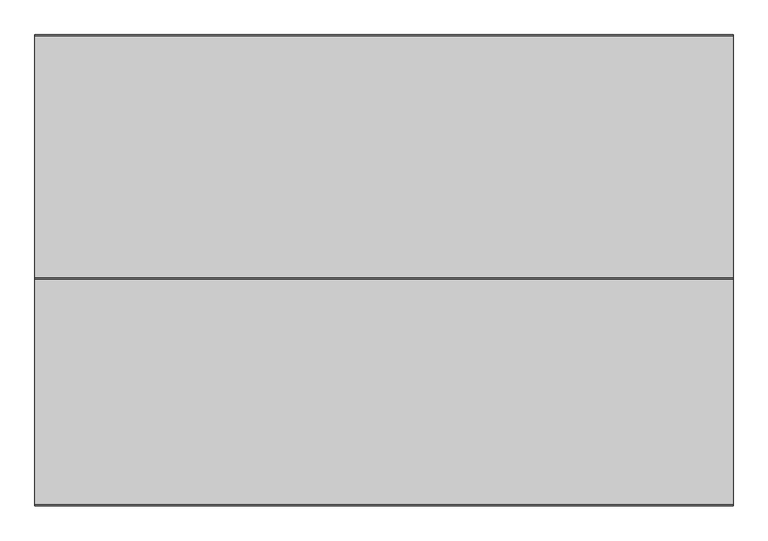
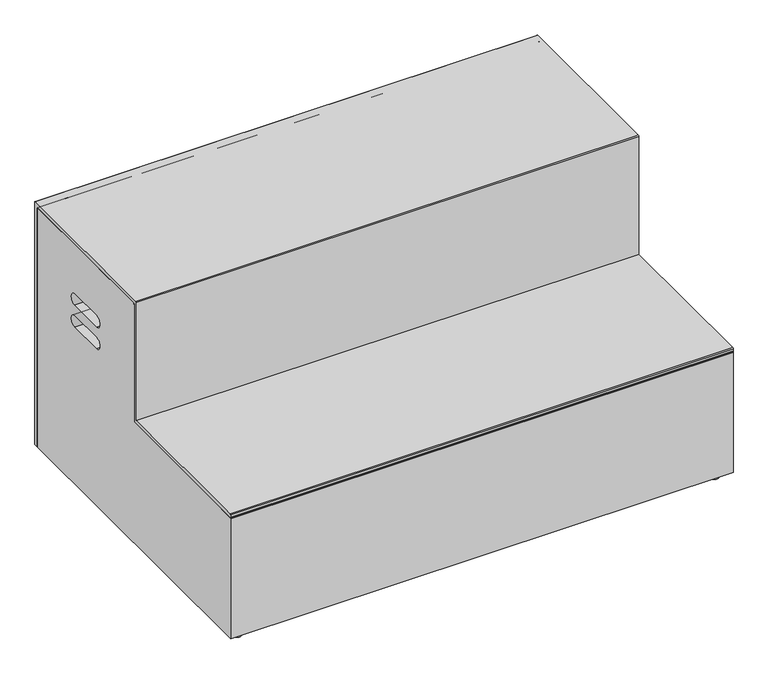
"""IFC4 building model written with IfcOpenShell, lengths in millimetres: furniture geometry."""

import ifcopenshell
import ifcopenshell.guid

model = None  # the IFC model being written
_history = None  # IfcOwnerHistory: only IFC2X3 demands one
_inside = {}  # id of a spatial element -> (the spatial element, [elements in it])
_under = {}  # id of a project, library or spatial element -> (it, [spatial elements below it])
_declared = {}  # id of a project -> (the project, [libraries it declares])
_typed = {}  # id of a type object -> (the type object, [elements of that type])
_made_of = {}  # id of a material, layer set ... -> (it, [elements and type objects made of it])


def new_model(schema):
    """Start an empty IFC model of exactly this schema.

    Asked for "IFC4X3", IfcOpenShell would pick the latest addendum, in which some entities
    have other attributes; the version numbers below select the first issue.
    IFC2X3 requires an IfcOwnerHistory on every rooted entity: one is made here for all.
    """
    global model, _history
    if schema == "IFC4X3":
        model = ifcopenshell.file(schema_version=(4, 3, 0, 0))
    else:
        model = ifcopenshell.file(schema=schema)
    _inside.clear()
    _under.clear()
    _declared.clear()
    _typed.clear()
    _made_of.clear()
    _history = None
    if model.schema == "IFC2X3":
        org = make("IfcOrganization", Name="unknown")
        user = make(
            "IfcPersonAndOrganization",
            ThePerson=make("IfcPerson", FamilyName="unknown"),
            TheOrganization=org,
        )
        app = make(
            "IfcApplication",
            ApplicationDeveloper=org,
            Version="unknown",
            ApplicationFullName="unknown",
            ApplicationIdentifier="unknown",
        )
        _history = make(
            "IfcOwnerHistory",
            OwningUser=user,
            OwningApplication=app,
            ChangeAction="ADDED",
            CreationDate=0,
        )
    return model


def make(cls, **values):
    """One entity of the class cls with the attributes given. An attribute that is None is left unset."""
    return model.create_entity(
        cls, **{name: value for name, value in values.items() if value is not None}
    )


def rooted(cls, **values):
    """An entity with a GlobalId (a new one), such as an element, a storey or a relation."""
    return make(cls, GlobalId=ifcopenshell.guid.new(), OwnerHistory=_history, **values)


def si_unit(unit_type, name, prefix=None):
    """IfcSIUnit, for example si_unit("LENGTHUNIT", "METRE", prefix="MILLI")."""
    return make("IfcSIUnit", UnitType=unit_type, Prefix=prefix, Name=name)


def assignment(units):
    """IfcUnitAssignment: the units of a project."""
    return None if units is None else make("IfcUnitAssignment", Units=units)


def point(xyz):
    """IfcCartesianPoint."""
    return None if xyz is None else make("IfcCartesianPoint", Coordinates=xyz)


def direction(xyz):
    """IfcDirection."""
    return None if xyz is None else make("IfcDirection", DirectionRatios=xyz)


def frame(location, z_axis=None, x_axis=None):
    """IfcAxis2Placement3D, a coordinate frame: its origin and axes. An axis left out is left unset."""
    return make(
        "IfcAxis2Placement3D",
        Location=point(location),
        Axis=direction(z_axis),
        RefDirection=direction(x_axis),
    )


def frame_2d(location, x_axis=None):
    """IfcAxis2Placement2D, a coordinate frame in the plane: its origin and x axis."""
    return make(
        "IfcAxis2Placement2D", Location=point(location), RefDirection=direction(x_axis)
    )


def origin():
    """The frame at (0, 0, 0) with its axes left unset."""
    return frame((0.0, 0.0, 0.0))


def origin_with_axes():
    """The frame at (0, 0, 0) with the z axis (0, 0, 1) and the x axis (1, 0, 0) written out."""
    return frame((0.0, 0.0, 0.0), z_axis=(0.0, 0.0, 1.0), x_axis=(1.0, 0.0, 0.0))


def place(relative_to, where):
    """IfcLocalPlacement: puts the frame where relative to a parent placement (None: the world)."""
    return make(
        "IfcLocalPlacement", PlacementRelTo=relative_to, RelativePlacement=where
    )


def context(
    kind, dimensions, precision=None, world=None, true_north=None, identifier=None
):
    """IfcGeometricRepresentationContext, for example the 3D "Model" context."""
    return make(
        "IfcGeometricRepresentationContext",
        ContextIdentifier=identifier,
        ContextType=kind,
        CoordinateSpaceDimension=dimensions,
        Precision=precision,
        WorldCoordinateSystem=world,
        TrueNorth=true_north,
    )


def project(units=None, contexts=None):
    """IfcProject with its units and contexts."""
    return rooted(
        "IfcProject",
        Name="project",
        RepresentationContexts=contexts,
        UnitsInContext=assignment(units),
    )


def spatial(cls, under=None, at=None, **own):
    """A site, building, storey or space (cls), placed at a placement, below another one or the project."""
    s = rooted(cls, ObjectPlacement=at, **own)
    if under is not None:
        _under.setdefault(under.id(), (under, []))[1].append(s)
    return s


def polyline(points):
    """IfcPolyline through the points."""
    return make("IfcPolyline", Points=[point(p) for p in points])


def circle_curve(where, radius):
    """IfcCircle in the frame where."""
    return make("IfcCircle", Position=where, Radius=radius)


def trimmed(basis, trim1, trim2, sense, master):
    """IfcTrimmedCurve: the piece of a basis curve between two trims."""
    return make(
        "IfcTrimmedCurve",
        BasisCurve=basis,
        Trim1=trim1,
        Trim2=trim2,
        SenseAgreement=sense,
        MasterRepresentation=master,
    )


def segment(curve, same_sense, transition):
    """IfcCompositeCurveSegment."""
    return make(
        "IfcCompositeCurveSegment",
        Transition=transition,
        SameSense=same_sense,
        ParentCurve=curve,
    )


def composite_curve(segments, self_intersect=None):
    """IfcCompositeCurve: segments joined end to end."""
    return make("IfcCompositeCurve", Segments=segments, SelfIntersect=self_intersect)


def outline(outer, holes=None, kind="AREA"):
    """IfcArbitraryClosedProfileDef: a profile drawn as a closed curve; with holes, ...WithVoids."""
    if holes is None:
        return make("IfcArbitraryClosedProfileDef", ProfileType=kind, OuterCurve=outer)
    return make(
        "IfcArbitraryProfileDefWithVoids",
        ProfileType=kind,
        OuterCurve=outer,
        InnerCurves=holes,
    )


def extrude(swept, where, along, depth):
    """IfcExtrudedAreaSolid: the profile swept, set in the frame where, extruded along a direction by depth."""
    return make(
        "IfcExtrudedAreaSolid",
        SweptArea=swept,
        Position=where,
        ExtrudedDirection=direction(along),
        Depth=depth,
    )


def shape(context_of_items, identifier, shape_type, items):
    """IfcShapeRepresentation: the items that make up one representation, for example the "Body"."""
    return make(
        "IfcShapeRepresentation",
        ContextOfItems=context_of_items,
        RepresentationIdentifier=identifier,
        RepresentationType=shape_type,
        Items=items,
    )


def source(mapping_origin, context_of_items, identifier, shape_type, items):
    """IfcRepresentationMap: a shape defined once, which mapped items show again and again."""
    return make(
        "IfcRepresentationMap",
        MappingOrigin=mapping_origin,
        MappedRepresentation=shape(context_of_items, identifier, shape_type, items),
    )


def transform(
    local_origin,
    x_axis=None,
    y_axis=None,
    z_axis=None,
    scale=None,
    scale2=None,
    scale3=None,
    uniform=True,
):
    """IfcCartesianTransformationOperator3D, or its non-uniform kind. x_axis, y_axis, z_axis: its Axis1, 2, 3."""
    if uniform:
        return make(
            "IfcCartesianTransformationOperator3D",
            Axis1=direction(x_axis),
            Axis2=direction(y_axis),
            LocalOrigin=point(local_origin),
            Scale=scale,
            Axis3=direction(z_axis),
        )
    return make(
        "IfcCartesianTransformationOperator3DnonUniform",
        Axis1=direction(x_axis),
        Axis2=direction(y_axis),
        LocalOrigin=point(local_origin),
        Scale=scale,
        Axis3=direction(z_axis),
        Scale2=scale2,
        Scale3=scale3,
    )


def mapped(mapping_source, mapping_target):
    """IfcMappedItem: shows the shape of a source again, moved by a transform."""
    return make(
        "IfcMappedItem", MappingSource=mapping_source, MappingTarget=mapping_target
    )


def made_of(thing, what):
    """Note that an element or type object is made of a material, layer set ...; save() writes the relation."""
    if what is not None:
        _made_of.setdefault(what.id(), (what, []))[1].append(thing)
    return thing


def element(
    cls,
    number,
    at=None,
    inside=None,
    cuts=None,
    type_object=None,
    material=None,
    context=None,
    identifier="Body",
    shape_type=None,
    held_by="IfcProductDefinitionShape",
    body=None,
    shapes=None,
    **own,
):
    """One element of the class cls, such as IfcWall. Its Tag is "e" and its number.

    at: its placement. inside: the storey or other place that contains it. cuts: it is an
    opening in that element (IfcRelVoidsElement). A single representation is given by context,
    identifier, shape_type and body (its items); several are given by shapes. held_by: the class
    of the entity that holds the representations. save() writes the other relations.
    """
    e = rooted(cls, Tag="e%d" % number, ObjectPlacement=at, **own)
    if body is not None:
        shapes = [shape(context, identifier, shape_type, body)]
    if shapes is not None:
        e.Representation = make(held_by, Representations=shapes)
    if inside is not None:
        _inside.setdefault(inside.id(), (inside, []))[1].append(e)
    if cuts is not None:
        rooted(
            "IfcRelVoidsElement", RelatingBuildingElement=cuts, RelatedOpeningElement=e
        )
    if type_object is not None:
        _typed.setdefault(type_object.id(), (type_object, []))[1].append(e)
    return made_of(e, material)


def aggregate(whole, parts):
    """IfcRelAggregates: a whole, such as a stair, and the parts it consists of."""
    return rooted("IfcRelAggregates", RelatingObject=whole, RelatedObjects=parts)


def save(model, path):
    """Write the relations noted so far, then the file.

    IfcRelAggregates (storeys below a building ...), IfcRelContainedInSpatialStructure (elements
    in a storey), IfcRelDefinesByType, IfcRelAssociatesMaterial and IfcRelDeclares: one each for
    every whole, place, type object, material and project.
    """
    for whole, parts in _under.values():
        aggregate(whole, parts)
    for where, things in _inside.values():
        rooted(
            "IfcRelContainedInSpatialStructure",
            RelatedElements=things,
            RelatingStructure=where,
        )
    for kind, things in _typed.values():
        rooted("IfcRelDefinesByType", RelatedObjects=things, RelatingType=kind)
    for what, things in _made_of.values():
        rooted("IfcRelAssociatesMaterial", RelatedObjects=things, RelatingMaterial=what)
    for by, libraries in _declared.values():
        rooted("IfcRelDeclares", RelatingContext=by, RelatedDefinitions=libraries)
    model.write(path)


def furniture_219e41aa(model_context):
    return source(origin(), model_context, "Body", "SweptSolid", [
        extrude(outline(composite_curve([segment(trimmed(circle_curve(frame_2d((38.1, -44.45)), 4.572), [point((33.528, -44.45))], [point((42.672, -44.45))], False, "CARTESIAN"), True, "CONTINUOUS"), segment(trimmed(circle_curve(frame_2d((38.1, -44.45)), 4.572), [point((42.672, -44.45))], [point((33.528, -44.45))], False, "CARTESIAN"), True, "CONTINUOUS")], self_intersect=False)), frame((0.0, 0.0, 8.2448399), z_axis=(0.0, 0.0, 1.0), x_axis=(1.0, 0.0, 0.0)), (0.0, 0.0, 1.0), 10.8051601),
        extrude(outline(composite_curve([segment(trimmed(circle_curve(frame_2d((38.1, -996.95)), 4.6506975), [point((33.4493025, -996.95))], [point((42.7506975, -996.95))], False, "CARTESIAN"), True, "CONTINUOUS"), segment(trimmed(circle_curve(frame_2d((38.1, -996.95)), 4.6506975), [point((42.7506975, -996.95))], [point((33.4493025, -996.95))], False, "CARTESIAN"), True, "CONTINUOUS")], self_intersect=False)), frame((0.0, 0.0, 8.2448399), z_axis=(0.0, 0.0, 1.0), x_axis=(1.0, 0.0, 0.0)), (0.0, 0.0, 1.0), 10.8051601),
        extrude(outline(composite_curve([segment(trimmed(circle_curve(frame_2d((1485.9, -44.45)), 4.572), [point((1481.328, -44.45))], [point((1490.472, -44.45))], False, "CARTESIAN"), True, "CONTINUOUS"), segment(trimmed(circle_curve(frame_2d((1485.9, -44.45)), 4.572), [point((1490.472, -44.45))], [point((1481.328, -44.45))], False, "CARTESIAN"), True, "CONTINUOUS")], self_intersect=False)), frame((0.0, 0.0, 8.2448399), z_axis=(0.0, 0.0, 1.0), x_axis=(1.0, 0.0, 0.0)), (0.0, 0.0, 1.0), 10.8051601),
        extrude(outline(composite_curve([segment(trimmed(circle_curve(frame_2d((1485.9, -996.95)), 4.572), [point((1481.328, -996.95))], [point((1490.472, -996.95))], False, "CARTESIAN"), True, "CONTINUOUS"), segment(trimmed(circle_curve(frame_2d((1485.9, -996.95)), 4.572), [point((1490.472, -996.95))], [point((1481.328, -996.95))], False, "CARTESIAN"), True, "CONTINUOUS")], self_intersect=False)), frame((0.0, 0.0, 8.2448399), z_axis=(0.0, 0.0, 1.0), x_axis=(1.0, 0.0, 0.0)), (0.0, 0.0, 1.0), 10.8051601),
        extrude(outline(composite_curve([segment(polyline([(-12.7003399, 19.05), (-1028.7, 19.05), (-1028.7, 403.8600121)]), True, "CONTINUOUS"), segment(trimmed(circle_curve(frame_2d((-1026.16, 403.8600121)), 2.54), [point((-1028.7, 403.8600121))], [point((-1026.16, 406.4000121))], False, "CARTESIAN"), True, "CONTINUOUS"), segment(polyline([(-1026.16, 406.4000121), (-520.7003391, 406.4000121), (-520.7003391, 784.8757059)]), True, "CONTINUOUS"), segment(trimmed(circle_curve(frame_2d((-518.1760692, 784.8757059)), 2.5242699), [point((-520.7003391, 784.8757059))], [point((-518.1760692, 787.3999758))], False, "CARTESIAN"), True, "CONTINUOUS"), segment(polyline([(-518.1760692, 787.3999758), (-15.2403399, 787.3999758)]), True, "CONTINUOUS"), segment(trimmed(circle_curve(frame_2d((-15.2403399, 784.8599758)), 2.54), [point((-15.2403399, 787.3999758))], [point((-12.7003399, 784.8599758))], False, "CARTESIAN"), True, "CONTINUOUS"), segment(polyline([(-12.7003399, 784.8599758), (-12.7003399, 19.05)]), True, "CONTINUOUS")], self_intersect=False), holes=[composite_curve([segment(trimmed(circle_curve(frame_2d((-209.4835331, 541.0545655)), 17.746464), [point((-209.4835331, 523.3081015))], [point((-209.4835331, 558.8010295))], True, "CARTESIAN"), True, "CONTINUOUS"), segment(polyline([(-209.4835331, 558.8010295), (-323.9164669, 558.8010295)]), True, "CONTINUOUS"), segment(trimmed(circle_curve(frame_2d((-323.9164669, 541.0545655)), 17.746464), [point((-323.9164669, 558.8010295))], [point((-323.9164669, 523.3081015))], True, "CARTESIAN"), True, "CONTINUOUS"), segment(polyline([(-323.9164669, 523.3081015), (-209.4835331, 523.3081015)]), True, "CONTINUOUS")], self_intersect=False), composite_curve([segment(polyline([(-323.9164669, 593.0438015), (-209.4835331, 593.0438015)]), True, "CONTINUOUS"), segment(trimmed(circle_curve(frame_2d((-209.4835331, 610.8474094)), 17.803608), [point((-209.4835331, 593.0438015))], [point((-209.4835331, 628.6510174))], True, "CARTESIAN"), True, "CONTINUOUS"), segment(polyline([(-209.4835331, 628.6510174), (-323.9164669, 628.6510174)]), True, "CONTINUOUS"), segment(trimmed(circle_curve(frame_2d((-323.9164669, 610.8474094)), 17.803608), [point((-323.9164669, 628.6510174))], [point((-323.9164669, 593.0438015))], True, "CARTESIAN"), True, "CONTINUOUS")], self_intersect=False)]), frame((0.0, 0.0, 0.0), z_axis=(1.0, 0.0, 0.0), x_axis=(0.0, 1.0, 0.0)), (0.0, 0.0, 1.0), 1524.0),
        extrude(outline(composite_curve([segment(polyline([(0.0, 19.05), (-12.7003399, 19.05), (-12.7003399, 784.8599758)]), True, "CONTINUOUS"), segment(trimmed(circle_curve(frame_2d((-15.2403399, 784.8599758)), 2.54), [point((-12.7003399, 784.8599758))], [point((-15.2403399, 787.3999758))], True, "CARTESIAN"), True, "CONTINUOUS"), segment(polyline([(-15.2403399, 787.3999758), (-518.1760692, 787.3999758)]), True, "CONTINUOUS"), segment(trimmed(circle_curve(frame_2d((-518.1760692, 784.8757059)), 2.5242699), [point((-518.1760692, 787.3999758))], [point((-520.7003391, 784.8757059))], True, "CARTESIAN"), True, "CONTINUOUS"), segment(polyline([(-520.7003391, 784.8757059), (-520.7003391, 409.0248616)]), True, "CONTINUOUS"), segment(trimmed(circle_curve(frame_2d((-523.3251886, 409.0248616)), 2.6248495), [point((-520.7003391, 409.0248616))], [point((-523.3251886, 406.4000121))], False, "CARTESIAN"), True, "CONTINUOUS"), segment(polyline([(-523.3251886, 406.4000121), (-1026.16, 406.4000121)]), True, "CONTINUOUS"), segment(trimmed(circle_curve(frame_2d((-1026.16, 408.9400121)), 2.54), [point((-1026.16, 406.4000121))], [point((-1028.7, 408.9400121))], False, "CARTESIAN"), True, "CONTINUOUS"), segment(polyline([(-1028.7, 408.9400121), (-1028.7, 416.56)]), True, "CONTINUOUS"), segment(trimmed(circle_curve(frame_2d((-1026.16, 416.56)), 2.54), [point((-1028.7, 416.56))], [point((-1026.16, 419.1))], False, "CARTESIAN"), True, "CONTINUOUS"), segment(polyline([(-1026.16, 419.1), (-533.4, 419.1), (-533.4, 797.56)]), True, "CONTINUOUS"), segment(trimmed(circle_curve(frame_2d((-530.86, 797.56)), 2.54), [point((-533.4, 797.56))], [point((-530.86, 800.1))], False, "CARTESIAN"), True, "CONTINUOUS"), segment(polyline([(-530.86, 800.1), (-2.483477, 800.1)]), True, "CONTINUOUS"), segment(trimmed(circle_curve(frame_2d((-2.483477, 797.616523)), 2.483477), [point((-2.483477, 800.1))], [point((0.0, 797.616523))], False, "CARTESIAN"), True, "CONTINUOUS"), segment(polyline([(0.0, 797.616523), (0.0, 19.05)]), True, "CONTINUOUS")], self_intersect=False)), frame((0.0, 0.0, 0.0), z_axis=(1.0, 0.0, 0.0), x_axis=(0.0, 1.0, 0.0)), (0.0, 0.0, 1.0), 1524.0),
        extrude(outline(composite_curve([segment(trimmed(circle_curve(frame_2d((38.1, -44.45)), 12.7), [point((25.4, -44.45))], [point((50.8, -44.45))], False, "CARTESIAN"), True, "CONTINUOUS"), segment(trimmed(circle_curve(frame_2d((38.1, -44.45)), 12.7), [point((50.8, -44.45))], [point((25.4, -44.45))], False, "CARTESIAN"), True, "CONTINUOUS")], self_intersect=False)), origin_with_axes(), (0.0, 0.0, 1.0), 8.2448399),
        extrude(outline(composite_curve([segment(trimmed(circle_curve(frame_2d((38.1, -996.95)), 12.7), [point((25.4, -996.95))], [point((50.8, -996.95))], False, "CARTESIAN"), True, "CONTINUOUS"), segment(trimmed(circle_curve(frame_2d((38.1, -996.95)), 12.7), [point((50.8, -996.95))], [point((25.4, -996.95))], False, "CARTESIAN"), True, "CONTINUOUS")], self_intersect=False)), origin_with_axes(), (0.0, 0.0, 1.0), 8.2448399),
        extrude(outline(composite_curve([segment(trimmed(circle_curve(frame_2d((1485.9, -44.45)), 12.7), [point((1473.2, -44.45))], [point((1498.6, -44.45))], False, "CARTESIAN"), True, "CONTINUOUS"), segment(trimmed(circle_curve(frame_2d((1485.9, -44.45)), 12.7), [point((1498.6, -44.45))], [point((1473.2, -44.45))], False, "CARTESIAN"), True, "CONTINUOUS")], self_intersect=False)), origin_with_axes(), (0.0, 0.0, 1.0), 8.2448399),
        extrude(outline(composite_curve([segment(trimmed(circle_curve(frame_2d((1485.9, -996.95)), 12.7), [point((1473.2, -996.95))], [point((1498.6, -996.95))], False, "CARTESIAN"), True, "CONTINUOUS"), segment(trimmed(circle_curve(frame_2d((1485.9, -996.95)), 12.7), [point((1498.6, -996.95))], [point((1473.2, -996.95))], False, "CARTESIAN"), True, "CONTINUOUS")], self_intersect=False)), origin_with_axes(), (0.0, 0.0, 1.0), 8.2448399),
    ])


if __name__ == "__main__":
    model = new_model("IFC4")
    model_context = context("Model", 3, world=origin())
    ifc_project = project(units=[si_unit("LENGTHUNIT", "METRE", prefix="MILLI")], contexts=[model_context])
    site = spatial("IfcSite", under=ifc_project)
    building = spatial("IfcBuilding", under=site)
    placement = place(None, origin())
    furniture_shape = furniture_219e41aa(model_context)
    element("IfcFurniture", 1, at=placement, inside=building, context=model_context, shape_type="MappedRepresentation", body=[
        mapped(furniture_shape, transform((0.0, 0.0, 0.0), x_axis=(1.0, 0.0, 0.0), y_axis=(0.0, 1.0, 0.0), z_axis=(0.0, 0.0, 1.0))),
    ])
    save(model, "model.ifc")
